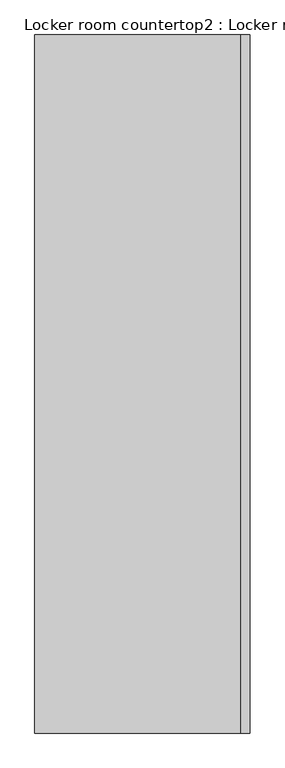
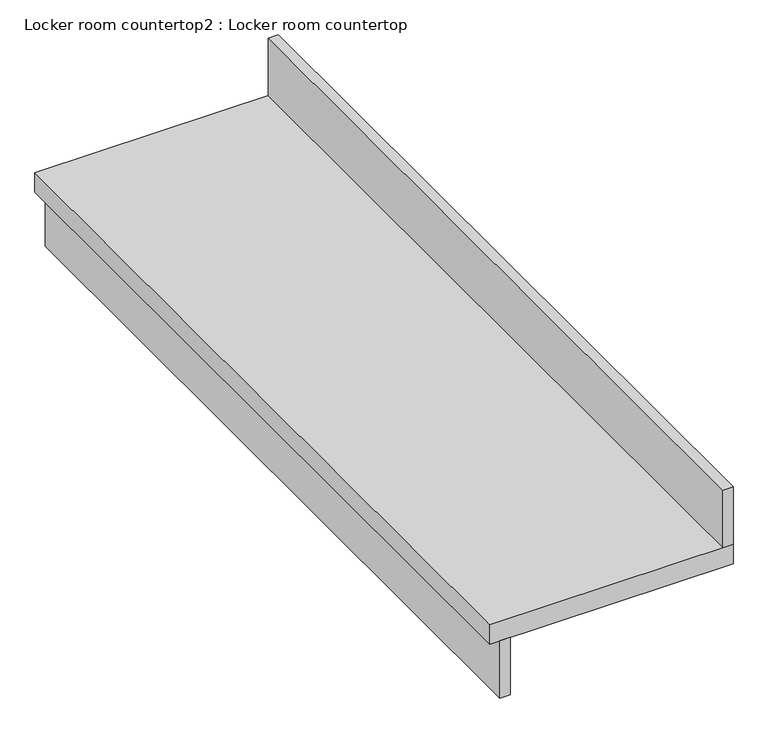
"""IFC4 building model written with IfcOpenShell, lengths in millimetres: furniture geometry, Locker room countertop2 : Locker room countertop."""

import ifcopenshell
import ifcopenshell.guid

model = None  # the IFC model being written
_history = None  # IfcOwnerHistory: only IFC2X3 demands one
_inside = {}  # id of a spatial element -> (the spatial element, [elements in it])
_under = {}  # id of a project, library or spatial element -> (it, [spatial elements below it])
_declared = {}  # id of a project -> (the project, [libraries it declares])
_typed = {}  # id of a type object -> (the type object, [elements of that type])
_made_of = {}  # id of a material, layer set ... -> (it, [elements and type objects made of it])


def new_model(schema):
    """Start an empty IFC model of exactly this schema.

    Asked for "IFC4X3", IfcOpenShell would pick the latest addendum, in which some entities
    have other attributes; the version numbers below select the first issue.
    IFC2X3 requires an IfcOwnerHistory on every rooted entity: one is made here for all.
    """
    global model, _history
    if schema == "IFC4X3":
        model = ifcopenshell.file(schema_version=(4, 3, 0, 0))
    else:
        model = ifcopenshell.file(schema=schema)
    _inside.clear()
    _under.clear()
    _declared.clear()
    _typed.clear()
    _made_of.clear()
    _history = None
    if model.schema == "IFC2X3":
        org = make("IfcOrganization", Name="unknown")
        user = make(
            "IfcPersonAndOrganization",
            ThePerson=make("IfcPerson", FamilyName="unknown"),
            TheOrganization=org,
        )
        app = make(
            "IfcApplication",
            ApplicationDeveloper=org,
            Version="unknown",
            ApplicationFullName="unknown",
            ApplicationIdentifier="unknown",
        )
        _history = make(
            "IfcOwnerHistory",
            OwningUser=user,
            OwningApplication=app,
            ChangeAction="ADDED",
            CreationDate=0,
        )
    return model


def make(cls, **values):
    """One entity of the class cls with the attributes given. An attribute that is None is left unset."""
    return model.create_entity(
        cls, **{name: value for name, value in values.items() if value is not None}
    )


def rooted(cls, **values):
    """An entity with a GlobalId (a new one), such as an element, a storey or a relation."""
    return make(cls, GlobalId=ifcopenshell.guid.new(), OwnerHistory=_history, **values)


def si_unit(unit_type, name, prefix=None):
    """IfcSIUnit, for example si_unit("LENGTHUNIT", "METRE", prefix="MILLI")."""
    return make("IfcSIUnit", UnitType=unit_type, Prefix=prefix, Name=name)


def assignment(units):
    """IfcUnitAssignment: the units of a project."""
    return None if units is None else make("IfcUnitAssignment", Units=units)


def point(xyz):
    """IfcCartesianPoint."""
    return None if xyz is None else make("IfcCartesianPoint", Coordinates=xyz)


def direction(xyz):
    """IfcDirection."""
    return None if xyz is None else make("IfcDirection", DirectionRatios=xyz)


def frame(location, z_axis=None, x_axis=None):
    """IfcAxis2Placement3D, a coordinate frame: its origin and axes. An axis left out is left unset."""
    return make(
        "IfcAxis2Placement3D",
        Location=point(location),
        Axis=direction(z_axis),
        RefDirection=direction(x_axis),
    )


def origin():
    """The frame at (0, 0, 0) with its axes left unset."""
    return frame((0.0, 0.0, 0.0))


def place(relative_to, where):
    """IfcLocalPlacement: puts the frame where relative to a parent placement (None: the world)."""
    return make(
        "IfcLocalPlacement", PlacementRelTo=relative_to, RelativePlacement=where
    )


def context(
    kind, dimensions, precision=None, world=None, true_north=None, identifier=None
):
    """IfcGeometricRepresentationContext, for example the 3D "Model" context."""
    return make(
        "IfcGeometricRepresentationContext",
        ContextIdentifier=identifier,
        ContextType=kind,
        CoordinateSpaceDimension=dimensions,
        Precision=precision,
        WorldCoordinateSystem=world,
        TrueNorth=true_north,
    )


def project(units=None, contexts=None):
    """IfcProject with its units and contexts."""
    return rooted(
        "IfcProject",
        Name="project",
        RepresentationContexts=contexts,
        UnitsInContext=assignment(units),
    )


def spatial(cls, under=None, at=None, **own):
    """A site, building, storey or space (cls), placed at a placement, below another one or the project."""
    s = rooted(cls, ObjectPlacement=at, **own)
    if under is not None:
        _under.setdefault(under.id(), (under, []))[1].append(s)
    return s


def polyline(points):
    """IfcPolyline through the points."""
    return make("IfcPolyline", Points=[point(p) for p in points])


def outline(outer, holes=None, kind="AREA"):
    """IfcArbitraryClosedProfileDef: a profile drawn as a closed curve; with holes, ...WithVoids."""
    if holes is None:
        return make("IfcArbitraryClosedProfileDef", ProfileType=kind, OuterCurve=outer)
    return make(
        "IfcArbitraryProfileDefWithVoids",
        ProfileType=kind,
        OuterCurve=outer,
        InnerCurves=holes,
    )


def extrude(swept, where, along, depth):
    """IfcExtrudedAreaSolid: the profile swept, set in the frame where, extruded along a direction by depth."""
    return make(
        "IfcExtrudedAreaSolid",
        SweptArea=swept,
        Position=where,
        ExtrudedDirection=direction(along),
        Depth=depth,
    )


def shape(context_of_items, identifier, shape_type, items):
    """IfcShapeRepresentation: the items that make up one representation, for example the "Body"."""
    return make(
        "IfcShapeRepresentation",
        ContextOfItems=context_of_items,
        RepresentationIdentifier=identifier,
        RepresentationType=shape_type,
        Items=items,
    )


def source(mapping_origin, context_of_items, identifier, shape_type, items):
    """IfcRepresentationMap: a shape defined once, which mapped items show again and again."""
    return make(
        "IfcRepresentationMap",
        MappingOrigin=mapping_origin,
        MappedRepresentation=shape(context_of_items, identifier, shape_type, items),
    )


def transform(
    local_origin,
    x_axis=None,
    y_axis=None,
    z_axis=None,
    scale=None,
    scale2=None,
    scale3=None,
    uniform=True,
):
    """IfcCartesianTransformationOperator3D, or its non-uniform kind. x_axis, y_axis, z_axis: its Axis1, 2, 3."""
    if uniform:
        return make(
            "IfcCartesianTransformationOperator3D",
            Axis1=direction(x_axis),
            Axis2=direction(y_axis),
            LocalOrigin=point(local_origin),
            Scale=scale,
            Axis3=direction(z_axis),
        )
    return make(
        "IfcCartesianTransformationOperator3DnonUniform",
        Axis1=direction(x_axis),
        Axis2=direction(y_axis),
        LocalOrigin=point(local_origin),
        Scale=scale,
        Axis3=direction(z_axis),
        Scale2=scale2,
        Scale3=scale3,
    )


def mapped(mapping_source, mapping_target):
    """IfcMappedItem: shows the shape of a source again, moved by a transform."""
    return make(
        "IfcMappedItem", MappingSource=mapping_source, MappingTarget=mapping_target
    )


def made_of(thing, what):
    """Note that an element or type object is made of a material, layer set ...; save() writes the relation."""
    if what is not None:
        _made_of.setdefault(what.id(), (what, []))[1].append(thing)
    return thing


def element(
    cls,
    number,
    at=None,
    inside=None,
    cuts=None,
    type_object=None,
    material=None,
    context=None,
    identifier="Body",
    shape_type=None,
    held_by="IfcProductDefinitionShape",
    body=None,
    shapes=None,
    **own,
):
    """One element of the class cls, such as IfcWall. Its Tag is "e" and its number.

    at: its placement. inside: the storey or other place that contains it. cuts: it is an
    opening in that element (IfcRelVoidsElement). A single representation is given by context,
    identifier, shape_type and body (its items); several are given by shapes. held_by: the class
    of the entity that holds the representations. save() writes the other relations.
    """
    e = rooted(cls, Tag="e%d" % number, ObjectPlacement=at, **own)
    if body is not None:
        shapes = [shape(context, identifier, shape_type, body)]
    if shapes is not None:
        e.Representation = make(held_by, Representations=shapes)
    if inside is not None:
        _inside.setdefault(inside.id(), (inside, []))[1].append(e)
    if cuts is not None:
        rooted(
            "IfcRelVoidsElement", RelatingBuildingElement=cuts, RelatedOpeningElement=e
        )
    if type_object is not None:
        _typed.setdefault(type_object.id(), (type_object, []))[1].append(e)
    return made_of(e, material)


def aggregate(whole, parts):
    """IfcRelAggregates: a whole, such as a stair, and the parts it consists of."""
    return rooted("IfcRelAggregates", RelatingObject=whole, RelatedObjects=parts)


def save(model, path):
    """Write the relations noted so far, then the file.

    IfcRelAggregates (storeys below a building ...), IfcRelContainedInSpatialStructure (elements
    in a storey), IfcRelDefinesByType, IfcRelAssociatesMaterial and IfcRelDeclares: one each for
    every whole, place, type object, material and project.
    """
    for whole, parts in _under.values():
        aggregate(whole, parts)
    for where, things in _inside.values():
        rooted(
            "IfcRelContainedInSpatialStructure",
            RelatedElements=things,
            RelatingStructure=where,
        )
    for kind, things in _typed.values():
        rooted("IfcRelDefinesByType", RelatedObjects=things, RelatingType=kind)
    for what, things in _made_of.values():
        rooted("IfcRelAssociatesMaterial", RelatedObjects=things, RelatingMaterial=what)
    for by, libraries in _declared.values():
        rooted("IfcRelDeclares", RelatingContext=by, RelatedDefinitions=libraries)
    model.write(path)


def locker_room_countertop2_locker_room_countertop_80b23ffe(model_context):
    return source(origin(), model_context, "Body", "SweptSolid", [
        extrude(outline(polyline([(323108.4254676, -266403.9455223), (323108.4254676, -264429.0955223), (323133.8254676, -264429.0955223), (323133.8254676, -266403.9455223), (323108.4254676, -266403.9455223)])), frame((0.0, 0.0, 660.4), z_axis=(0.0, 0.0, 1.0), x_axis=(1.0, 0.0, 0.0)), (0.0, 0.0, 1.0), 152.4),
        extrude(outline(polyline([(323667.2254676, -264429.0955223), (323692.6254676, -264429.0955223), (323692.6254676, -266403.9455223), (323667.2254676, -266403.9455223), (323667.2254676, -264429.0955223)])), frame((0.0, 0.0, 863.6), z_axis=(0.0, 0.0, 1.0), x_axis=(1.0, 0.0, 0.0)), (0.0, 0.0, 1.0), 152.4),
        extrude(outline(polyline([(323083.0254676, -264429.0955223), (323692.6254676, -264429.0955223), (323692.6254676, -266403.9455223), (323083.0254676, -266403.9455223), (323083.0254676, -264429.0955223)])), frame((0.0, 0.0, 812.8), z_axis=(0.0, 0.0, 1.0), x_axis=(1.0, 0.0, 0.0)), (0.0, 0.0, 1.0), 50.8),
    ])


if __name__ == "__main__":
    model = new_model("IFC4")
    model_context = context("Model", 3, world=origin())
    ifc_project = project(units=[si_unit("LENGTHUNIT", "METRE", prefix="MILLI")], contexts=[model_context])
    site = spatial("IfcSite", under=ifc_project)
    building = spatial("IfcBuilding", under=site)
    placement = place(None, origin())
    locker_room_countertop2_locker_room_countertop_shape = locker_room_countertop2_locker_room_countertop_80b23ffe(model_context)
    element("IfcFurniture", 1, ObjectType="Locker room countertop2 : Locker room countertop", at=placement, inside=building, context=model_context, shape_type="MappedRepresentation", body=[
        mapped(locker_room_countertop2_locker_room_countertop_shape, transform((0.0, 0.0, 0.0), x_axis=(1.0, 0.0, 0.0), y_axis=(0.0, 1.0, 0.0), z_axis=(0.0, 0.0, 1.0))),
    ])
    save(model, "model.ifc")
